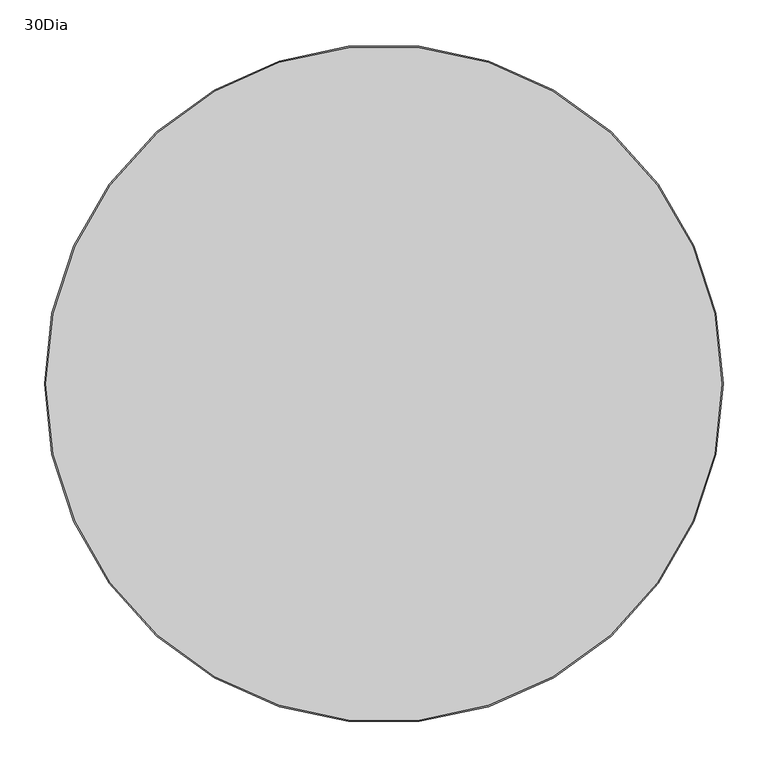
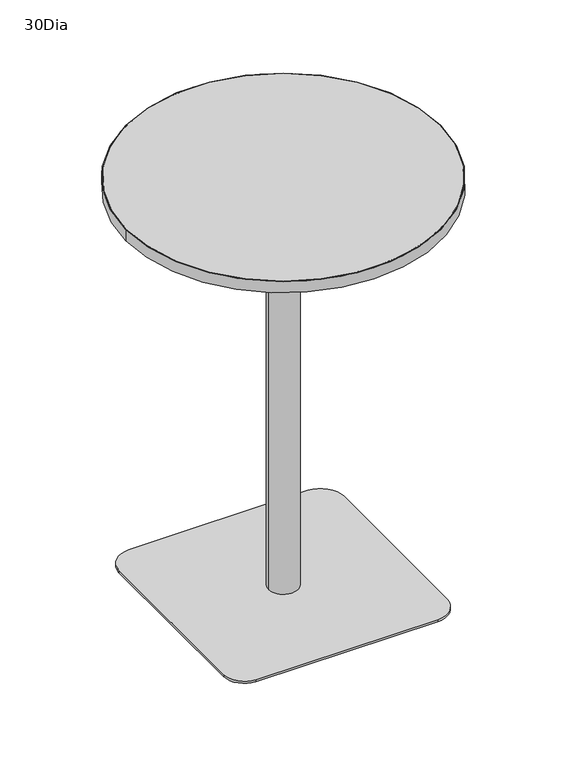
"""IFC4 building model written with IfcOpenShell, lengths in millimetres: furniture geometry, 30Dia."""

from ifc_helpers import new_model, si_unit, point, frame, frame_2d, origin, origin_with_axes, origin_2d, place, context, project, spatial, polyline, circle_curve, trimmed, segment, composite_curve, outline, extrude, source, transform, mapped, element, save


def furniture_30dia_2717b5c1(model_context):
    return source(origin(), model_context, "Body", "SweptSolid", [
        extrude(outline(composite_curve([segment(trimmed(circle_curve(frame_2d((69.849996, 69.8500161)), 19.05), [point((69.849996, 88.9000161))], [point((88.899996, 69.8500161))], False, "CARTESIAN"), True, "CONTINUOUS"), segment(polyline([(88.899996, 69.8500161), (88.899996, -69.85)]), True, "CONTINUOUS"), segment(trimmed(circle_curve(frame_2d((69.849996, -69.85)), 19.05), [point((88.899996, -69.85))], [point((69.849996, -88.9))], False, "CARTESIAN"), True, "CONTINUOUS"), segment(polyline([(69.849996, -88.9), (-69.8498192, -88.9)]), True, "CONTINUOUS"), segment(trimmed(circle_curve(frame_2d((-69.8498192, -69.85)), 19.05), [point((-69.8498192, -88.9))], [point((-88.8998192, -69.85))], False, "CARTESIAN"), True, "CONTINUOUS"), segment(polyline([(-88.8998192, -69.85), (-88.8998192, 69.8500161)]), True, "CONTINUOUS"), segment(trimmed(circle_curve(frame_2d((-69.8498192, 69.8500161)), 19.05), [point((-88.8998192, 69.8500161))], [point((-69.8498192, 88.9000161))], False, "CARTESIAN"), True, "CONTINUOUS"), segment(polyline([(-69.8498192, 88.9000161), (69.849996, 88.9000161)]), True, "CONTINUOUS")], self_intersect=False)), frame((0.0, 0.0, 1025.1960472), z_axis=(0.0, 0.0, 1.0), x_axis=(1.0, 0.0, 0.0)), (0.0, 0.0, 1.0), 3.4296343),
        extrude(outline(composite_curve([segment(trimmed(circle_curve(origin_2d(), 35.5965657), [point((-35.5965657, 0.0))], [point((35.5965657, 0.0))], False, "CARTESIAN"), True, "CONTINUOUS"), segment(trimmed(circle_curve(origin_2d(), 35.5965657), [point((35.5965657, 0.0))], [point((-35.5965657, 0.0))], False, "CARTESIAN"), True, "CONTINUOUS")], self_intersect=False)), frame((0.0, 0.0, 15.288991), z_axis=(0.0, 0.0, 1.0), x_axis=(1.0, 0.0, 0.0)), (0.0, 0.0, 1.0), 1009.9070562),
        extrude(outline(composite_curve([segment(trimmed(circle_curve(frame_2d((-222.9799787, 222.6077191)), 25.4), [point((-248.3799787, 222.6077191))], [point((-197.5799787, 222.6077191))], False, "CARTESIAN"), True, "CONTINUOUS"), segment(trimmed(circle_curve(frame_2d((-222.9799787, 222.6077191)), 25.4), [point((-197.5799787, 222.6077191))], [point((-248.3799787, 222.6077191))], False, "CARTESIAN"), True, "CONTINUOUS")], self_intersect=False)), origin_with_axes(), (0.0, 0.0, 1.0), 9.257791),
        extrude(outline(composite_curve([segment(trimmed(circle_curve(frame_2d((222.9799787, 222.6077191)), 25.4), [point((197.5799787, 222.6077191))], [point((248.3799787, 222.6077191))], False, "CARTESIAN"), True, "CONTINUOUS"), segment(trimmed(circle_curve(frame_2d((222.9799787, 222.6077191)), 25.4), [point((248.3799787, 222.6077191))], [point((197.5799787, 222.6077191))], False, "CARTESIAN"), True, "CONTINUOUS")], self_intersect=False)), origin_with_axes(), (0.0, 0.0, 1.0), 9.257791),
        extrude(outline(composite_curve([segment(trimmed(circle_curve(frame_2d((-222.9799787, -222.6077191)), 25.4), [point((-248.3799787, -222.6077191))], [point((-197.5799787, -222.6077191))], False, "CARTESIAN"), True, "CONTINUOUS"), segment(trimmed(circle_curve(frame_2d((-222.9799787, -222.6077191)), 25.4), [point((-197.5799787, -222.6077191))], [point((-248.3799787, -222.6077191))], False, "CARTESIAN"), True, "CONTINUOUS")], self_intersect=False)), origin_with_axes(), (0.0, 0.0, 1.0), 9.257791),
        extrude(outline(composite_curve([segment(trimmed(circle_curve(frame_2d((222.9799787, -222.6077191)), 25.4), [point((197.5799787, -222.6077191))], [point((248.3799787, -222.6077191))], False, "CARTESIAN"), True, "CONTINUOUS"), segment(trimmed(circle_curve(frame_2d((222.9799787, -222.6077191)), 25.4), [point((248.3799787, -222.6077191))], [point((197.5799787, -222.6077191))], False, "CARTESIAN"), True, "CONTINUOUS")], self_intersect=False)), origin_with_axes(), (0.0, 0.0, 1.0), 9.257791),
        extrude(outline(composite_curve([segment(trimmed(circle_curve(frame_2d((215.0345132, 215.0233562)), 57.15), [point((216.9417566, 272.1415225))], [point((272.1496581, 217.0190318))], False, "CARTESIAN"), True, "CONTINUOUS"), segment(trimmed(circle_curve(frame_2d((-5664.8518649, 9.5726648)), 5940.6246371), [point((272.1496581, 217.0190318))], [point((271.4411748, -217.2444988))], False, "CARTESIAN"), True, "CONTINUOUS"), segment(trimmed(circle_curve(frame_2d((214.3328457, -215.0624722)), 57.15), [point((271.4411748, -217.2444988))], [point((216.349417, -272.1768832))], False, "CARTESIAN"), True, "CONTINUOUS"), segment(trimmed(circle_curve(frame_2d((9.2619071, 5593.0661053)), 5868.8977287), [point((216.349417, -272.1768832))], [point((-223.3478364, -271.2201478))], False, "CARTESIAN"), True, "CONTINUOUS"), segment(trimmed(circle_curve(frame_2d((-221.3344132, -220.4600638)), 50.8), [point((-223.3478364, -271.2201478))], [point((-272.1031722, -222.2413873))], False, "CARTESIAN"), True, "CONTINUOUS"), segment(trimmed(circle_curve(frame_2d((6061.8771395, -0.0010053)), 6337.8779869), [point((-272.1031722, -222.2413873))], [point((-272.2855196, 216.9800625))], False, "CARTESIAN"), True, "CONTINUOUS"), segment(trimmed(circle_curve(frame_2d((-215.1690215, 215.0234979)), 57.15), [point((-272.2855196, 216.9800625))], [point((-217.0762273, 272.1416654))], False, "CARTESIAN"), True, "CONTINUOUS"), segment(trimmed(circle_curve(frame_2d((-0.0693756, -6226.9124716)), 6502.6761145), [point((-217.0762273, 272.1416654))], [point((216.9417566, 272.1415225))], False, "CARTESIAN"), True, "CONTINUOUS")], self_intersect=False)), frame((0.0, 0.0, 9.257791), z_axis=(0.0, 0.0, 1.0), x_axis=(1.0, 0.0, 0.0)), (0.0, 0.0, 1.0), 6.0312),
        extrude(outline(composite_curve([segment(trimmed(circle_curve(origin_2d(), 379.476), [point((379.476, 0.0))], [point((-379.476, 0.0))], False, "CARTESIAN"), True, "CONTINUOUS"), segment(trimmed(circle_curve(origin_2d(), 379.476), [point((-379.476, 0.0))], [point((379.476, 0.0))], False, "CARTESIAN"), True, "CONTINUOUS")], self_intersect=False)), frame((0.0, 0.0, 1028.6256828), z_axis=(0.0, 0.0, 1.0), x_axis=(1.0, 0.0, 0.0)), (0.0, 0.0, 1.0), 28.5775192),
        extrude(outline(composite_curve([segment(trimmed(circle_curve(origin_2d(), 381.0), [point((-381.0, 0.0))], [point((381.0, 0.0))], False, "CARTESIAN"), True, "CONTINUOUS"), segment(trimmed(circle_curve(origin_2d(), 381.0), [point((381.0, 0.0))], [point((-381.0, 0.0))], False, "CARTESIAN"), True, "CONTINUOUS")], self_intersect=False), holes=[composite_curve([segment(trimmed(circle_curve(origin_2d(), 379.476), [point((-379.476, 0.0))], [point((379.476, 0.0))], True, "CARTESIAN"), True, "CONTINUOUS"), segment(trimmed(circle_curve(origin_2d(), 379.476), [point((379.476, 0.0))], [point((-379.476, 0.0))], True, "CARTESIAN"), True, "CONTINUOUS")], self_intersect=False)]), frame((0.0, 0.0, 1028.6256828), z_axis=(0.0, 0.0, 1.0), x_axis=(1.0, 0.0, 0.0)), (0.0, 0.0, 1.0), 28.5775192),
    ])


if __name__ == "__main__":
    model = new_model("IFC4")
    model_context = context("Model", 3, world=origin())
    ifc_project = project(units=[si_unit("LENGTHUNIT", "METRE", prefix="MILLI")], contexts=[model_context])
    site = spatial("IfcSite", under=ifc_project)
    building = spatial("IfcBuilding", under=site)
    placement = place(None, origin())
    furniture_30dia_shape = furniture_30dia_2717b5c1(model_context)
    element("IfcFurniture", 1, ObjectType="30Dia", at=placement, inside=building, context=model_context, shape_type="MappedRepresentation", body=[
        mapped(furniture_30dia_shape, transform((0.0, 0.0, 0.0), x_axis=(1.0, 0.0, 0.0), y_axis=(0.0, 1.0, 0.0), z_axis=(0.0, 0.0, 1.0))),
    ])
    save(model, "model.ifc")
